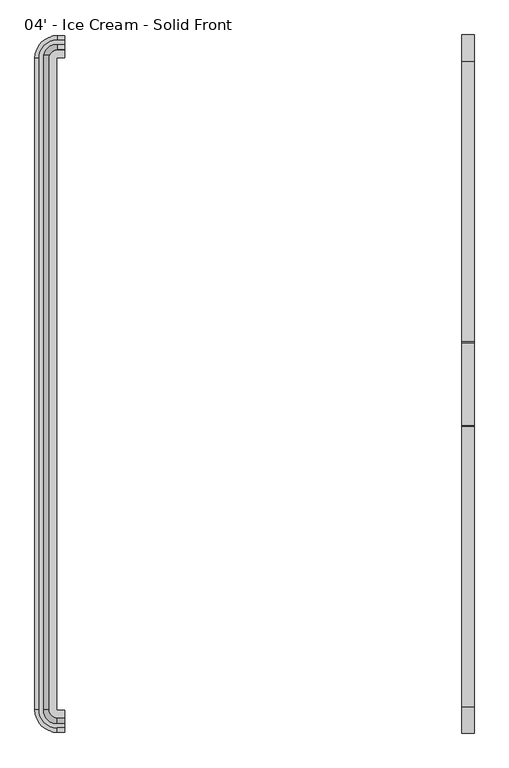
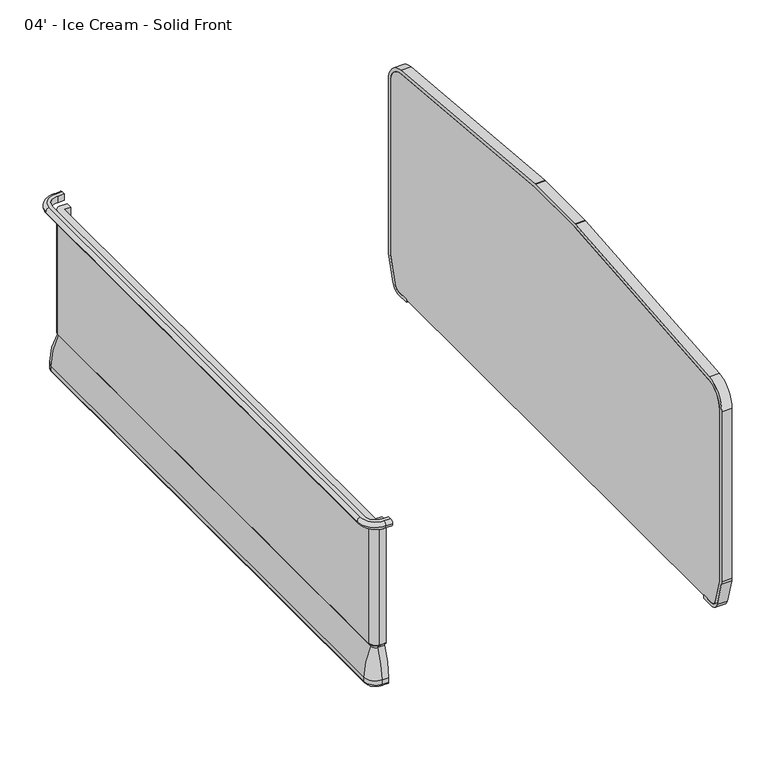
"""IFC4 building model written with IfcOpenShell, lengths in millimetres: proxy geometry, 04' - Ice Cream - Solid Front."""

from ifc_helpers import new_model, si_unit, point, frame, frame_2d, origin, place, context, project, spatial, polyline, circle_curve, ellipse_curve, trimmed, segment, composite_curve, outline, extrude, source, transform, mapped, element, save
from ifc_brep_helpers import plane_surface, cylinder_surface, revolved_surface, advanced_brep


def proxy_04_ice_cream_solid_front_f39f4013(model_context):
    return source(origin(), model_context, "Body", "SolidModel", [
        extrude(outline(composite_curve([segment(trimmed(circle_curve(frame_2d((-448.7907325, 105.4346764)), 25.4), [point((-448.7907325, 80.0346764))], [point((-424.3934681, 98.3683131))], True, "CARTESIAN"), True, "CONTINUOUS"), segment(polyline([(-424.3934681, 98.3683131), (-396.5553629, 194.4819131)]), True, "CONTINUOUS"), segment(trimmed(circle_curve(frame_2d((-420.9526273, 201.5482764)), 25.4), [point((-396.5553629, 194.4819131))], [point((-395.5526273, 201.5482764))], True, "CARTESIAN"), True, "CONTINUOUS"), segment(polyline([(-395.5526273, 201.5482764), (-395.5526273, 867.4346764)]), True, "CONTINUOUS"), segment(trimmed(circle_curve(frame_2d((-471.7526273, 867.4346764)), 76.2), [point((-395.5526273, 867.4346764))], [point((-465.008014, 943.3355999))], True, "CARTESIAN"), True, "CONTINUOUS"), segment(polyline([(-465.008014, 943.3355999), (-1324.7732229, 1019.7349842)]), True, "CONTINUOUS"), segment(trimmed(circle_curve(frame_2d((-1327.0214273, 994.4346764)), 25.4), [point((-1324.7732229, 1019.7349842))], [point((-1327.0214273, 1019.8346764))], True, "CARTESIAN"), True, "CONTINUOUS"), segment(polyline([(-1327.0214273, 1019.8346764), (-1581.0214273, 1019.8346764)]), True, "CONTINUOUS"), segment(trimmed(circle_curve(frame_2d((-1581.0214273, 994.4346764)), 25.4), [point((-1581.0214273, 1019.8346764))], [point((-1583.2696317, 1019.7349842))], True, "CARTESIAN"), True, "CONTINUOUS"), segment(polyline([(-1583.2696317, 1019.7349842), (-2443.0348406, 943.3355999)]), True, "CONTINUOUS"), segment(trimmed(circle_curve(frame_2d((-2436.2902273, 867.4346764)), 76.2), [point((-2443.0348406, 943.3355999))], [point((-2512.4902273, 867.4346764))], True, "CARTESIAN"), True, "CONTINUOUS"), segment(polyline([(-2512.4902273, 867.4346764), (-2512.4902273, 201.5482764)]), True, "CONTINUOUS"), segment(trimmed(circle_curve(frame_2d((-2487.0902273, 201.5482764)), 25.4), [point((-2512.4902273, 201.5482764))], [point((-2511.4874917, 194.4819131))], True, "CARTESIAN"), True, "CONTINUOUS"), segment(polyline([(-2511.4874917, 194.4819131), (-2483.6493865, 98.3683131)]), True, "CONTINUOUS"), segment(trimmed(circle_curve(frame_2d((-2459.2521221, 105.4346764)), 25.4), [point((-2483.6493865, 98.3683131))], [point((-2459.2521221, 80.0346764))], True, "CARTESIAN"), True, "CONTINUOUS"), segment(polyline([(-2459.2521221, 80.0346764), (-2409.6329734, 80.0346764), (-2409.6329734, 67.3346764), (-2459.2521221, 67.3346764)]), True, "CONTINUOUS"), segment(trimmed(circle_curve(frame_2d((-2459.2521221, 105.4346764)), 38.1), [point((-2459.2521221, 67.3346764))], [point((-2495.8480186, 94.8351315))], False, "CARTESIAN"), True, "CONTINUOUS"), segment(polyline([(-2495.8480186, 94.8351315), (-2523.6861239, 190.9487315)]), True, "CONTINUOUS"), segment(trimmed(circle_curve(frame_2d((-2487.0902273, 201.5482764)), 38.1), [point((-2523.6861239, 190.9487315))], [point((-2525.1902273, 201.5482764))], False, "CARTESIAN"), True, "CONTINUOUS"), segment(polyline([(-2525.1902273, 201.5482764), (-2525.1902273, 867.4346764)]), True, "CONTINUOUS"), segment(trimmed(circle_curve(frame_2d((-2436.2902273, 867.4346764)), 88.9), [point((-2525.1902273, 867.4346764))], [point((-2444.1589428, 955.9857538))], False, "CARTESIAN"), True, "CONTINUOUS"), segment(polyline([(-2444.1589428, 955.9857538), (-1584.3937339, 1032.3851381)]), True, "CONTINUOUS"), segment(trimmed(circle_curve(frame_2d((-1581.0214273, 994.4346764)), 38.1), [point((-1584.3937339, 1032.3851381))], [point((-1581.0214273, 1032.5346764))], False, "CARTESIAN"), True, "CONTINUOUS"), segment(polyline([(-1581.0214273, 1032.5346764), (-1327.0214273, 1032.5346764)]), True, "CONTINUOUS"), segment(trimmed(circle_curve(frame_2d((-1327.0214273, 994.4346764)), 38.1), [point((-1327.0214273, 1032.5346764))], [point((-1323.6491207, 1032.3851381))], False, "CARTESIAN"), True, "CONTINUOUS"), segment(polyline([(-1323.6491207, 1032.3851381), (-463.8839118, 955.9857538)]), True, "CONTINUOUS"), segment(trimmed(circle_curve(frame_2d((-471.7526273, 867.4346764)), 88.9), [point((-463.8839118, 955.9857538))], [point((-382.8526273, 867.4346764))], False, "CARTESIAN"), True, "CONTINUOUS"), segment(polyline([(-382.8526273, 867.4346764), (-382.8526273, 201.5482764)]), True, "CONTINUOUS"), segment(trimmed(circle_curve(frame_2d((-420.9526273, 201.5482764)), 38.1), [point((-382.8526273, 201.5482764))], [point((-384.3567307, 190.9487315))], False, "CARTESIAN"), True, "CONTINUOUS"), segment(polyline([(-384.3567307, 190.9487315), (-412.1948359, 94.8351315)]), True, "CONTINUOUS"), segment(trimmed(circle_curve(frame_2d((-448.7907325, 105.4346764)), 38.1), [point((-412.1948359, 94.8351315))], [point((-448.7907325, 67.3346764))], False, "CARTESIAN"), True, "CONTINUOUS"), segment(polyline([(-448.7907325, 67.3346764), (-498.4098812, 67.3346764), (-498.4098812, 80.0346764), (-448.7907325, 80.0346764)]), True, "CONTINUOUS")], self_intersect=False)), frame((1219.2, 0.0, 0.0), z_axis=(1.0, 0.0, 0.0), x_axis=(0.0, 1.0, 0.0)), (0.0, 0.0, 1.0), 38.1),
        extrude(outline(composite_curve([segment(polyline([(-448.7907325, 80.0346764), (-2459.2521221, 80.0346764)]), True, "CONTINUOUS"), segment(trimmed(circle_curve(frame_2d((-2459.2521221, 105.4346764)), 25.4), [point((-2459.2521221, 80.0346764))], [point((-2483.6493865, 98.3683131))], False, "CARTESIAN"), True, "CONTINUOUS"), segment(polyline([(-2483.6493865, 98.3683131), (-2511.4874917, 194.4819131)]), True, "CONTINUOUS"), segment(trimmed(circle_curve(frame_2d((-2487.0902273, 201.5482764)), 25.4), [point((-2511.4874917, 194.4819131))], [point((-2512.4902273, 201.5482764))], False, "CARTESIAN"), True, "CONTINUOUS"), segment(polyline([(-2512.4902273, 201.5482764), (-2512.4902273, 867.4346764)]), True, "CONTINUOUS"), segment(trimmed(circle_curve(frame_2d((-2436.2902273, 867.4346764)), 76.2), [point((-2512.4902273, 867.4346764))], [point((-2443.0348406, 943.3355999))], False, "CARTESIAN"), True, "CONTINUOUS"), segment(polyline([(-2443.0348406, 943.3355999), (-1583.2696317, 1019.7349842)]), True, "CONTINUOUS"), segment(trimmed(circle_curve(frame_2d((-1581.0214273, 994.4346764)), 25.4), [point((-1583.2696317, 1019.7349842))], [point((-1581.0214273, 1019.8346764))], False, "CARTESIAN"), True, "CONTINUOUS"), segment(polyline([(-1581.0214273, 1019.8346764), (-1327.0214273, 1019.8346764)]), True, "CONTINUOUS"), segment(trimmed(circle_curve(frame_2d((-1327.0214273, 994.4346764)), 25.4), [point((-1327.0214273, 1019.8346764))], [point((-1324.7732229, 1019.7349842))], False, "CARTESIAN"), True, "CONTINUOUS"), segment(polyline([(-1324.7732229, 1019.7349842), (-465.008014, 943.3355999)]), True, "CONTINUOUS"), segment(trimmed(circle_curve(frame_2d((-471.7526273, 867.4346764)), 76.2), [point((-465.008014, 943.3355999))], [point((-395.5526273, 867.4346764))], False, "CARTESIAN"), True, "CONTINUOUS"), segment(polyline([(-395.5526273, 867.4346764), (-395.5526273, 201.5482764)]), True, "CONTINUOUS"), segment(trimmed(circle_curve(frame_2d((-420.9526273, 201.5482764)), 25.4), [point((-395.5526273, 201.5482764))], [point((-396.5553629, 194.4819131))], False, "CARTESIAN"), True, "CONTINUOUS"), segment(polyline([(-396.5553629, 194.4819131), (-424.3934681, 98.3683131)]), True, "CONTINUOUS"), segment(trimmed(circle_curve(frame_2d((-448.7907325, 105.4346764)), 25.4), [point((-424.3934681, 98.3683131))], [point((-448.7907325, 80.0346764))], False, "CARTESIAN"), True, "CONTINUOUS")], self_intersect=False)), frame((1219.2, 0.0, 0.0), z_axis=(1.0, 0.0, 0.0), x_axis=(0.0, 1.0, 0.0)), (0.0, 0.0, 1.0), 38.1),
        advanced_brep(
        [(0.0, -2509.5631602, 866.4774073), (0.0, -2522.2631602, 853.7774073), (0.0, -2509.5631602, 841.0774073), (0.0, -2497.1486734, 841.0774073), (0.0, -2497.1486734, 866.4774073), (-23.8125, -2509.5631602, 866.4774073), (-23.8125, -2522.2631602, 853.7774073), (-23.8125, -2509.5631602, 841.0774073), (-79.2292329, -2454.1464273, 841.0774073), (-79.2292329, -453.8964273, 841.0774073), (-23.8125, -398.4796944, 841.0774073), (0.0, -398.4796944, 841.0774073), (0.0, -410.8941812, 841.0774073), (-23.8125, -410.8941812, 841.0774073), (-66.8147461, -453.8964273, 841.0774073), (-66.8147461, -2454.1464273, 841.0774073), (-23.8125, -2497.1486734, 841.0774073), (-23.8125, -2497.1486734, 866.4774073), (-66.8147461, -2454.1464273, 866.4774073), (-66.8147461, -453.8964273, 866.4774073), (-23.8125, -410.8941812, 866.4774073), (0.0, -410.8941812, 866.4774073), (0.0, -398.4796944, 866.4774073), (-23.8125, -398.4796944, 866.4774073), (-79.2292329, -453.8964273, 866.4774073), (-79.2292329, -2454.1464273, 866.4774073), (-91.9292329, -2454.1464273, 853.7774073), (-91.9292329, -453.8964273, 853.7774073), (-23.8125, -385.7796944, 853.7774073), (0.0, -385.7796944, 853.7774073)],
        [
            (0, 1, circle_curve(frame((0.0, -2509.5631602, 853.7774073), z_axis=(1.0, 0.0, 0.0), x_axis=(0.0, -1.0, 0.0)), 12.7)),
            (1, 2, circle_curve(frame((0.0, -2509.5631602, 853.7774073), z_axis=(1.0, 0.0, 0.0), x_axis=(0.0, -1.0, 0.0)), 12.7)),
            (2, 3),
            (3, 4),
            (4, 0),
            (0, 5),
            (5, 6, circle_curve(frame((-23.8125, -2509.5631602, 853.7774073), z_axis=(1.0, 0.0, 0.0), x_axis=(0.0, -1.0, 0.0)), 12.7)),
            (6, 1),
            (6, 7, circle_curve(frame((-23.8125, -2509.5631602, 853.7774073), z_axis=(1.0, 0.0, 0.0), x_axis=(0.0, -1.0, 0.0)), 12.7)),
            (7, 2),
            (7, 8, circle_curve(frame((-23.8125, -2454.1464273, 841.0774073), z_axis=(0.0, 0.0, -1.0), x_axis=(0.0, -1.0, 0.0)), 55.4167329)),
            (8, 9),
            (9, 10, circle_curve(frame((-23.8125, -453.8964273, 841.0774073), z_axis=(0.0, 0.0, -1.0), x_axis=(-1.0, 0.0, 0.0)), 55.4167329)),
            (10, 11),
            (11, 12),
            (12, 13),
            (13, 14, circle_curve(frame((-23.8125, -453.8964273, 841.0774073), z_axis=(0.0, 0.0, 1.0), x_axis=(-1.0, 0.0, 0.0)), 43.0022461)),
            (14, 15),
            (15, 16, circle_curve(frame((-23.8125, -2454.1464273, 841.0774073), z_axis=(0.0, 0.0, 1.0), x_axis=(0.0, -1.0, 0.0)), 43.0022461)),
            (16, 3),
            (16, 17),
            (17, 4),
            (17, 18, circle_curve(frame((-23.8125, -2454.1464273, 866.4774073), z_axis=(0.0, 0.0, -1.0), x_axis=(0.0, -1.0, 0.0)), 43.0022461)),
            (18, 19),
            (19, 20, circle_curve(frame((-23.8125, -453.8964273, 866.4774073), z_axis=(0.0, 0.0, -1.0), x_axis=(-1.0, 0.0, 0.0)), 43.0022461)),
            (20, 21),
            (21, 22),
            (22, 23),
            (23, 24, circle_curve(frame((-23.8125, -453.8964273, 866.4774073), z_axis=(0.0, 0.0, 1.0), x_axis=(-1.0, 0.0, 0.0)), 55.4167329)),
            (24, 25),
            (25, 5, circle_curve(frame((-23.8125, -2454.1464273, 866.4774073), z_axis=(0.0, 0.0, 1.0), x_axis=(0.0, -1.0, 0.0)), 55.4167329)),
            (26, 6, circle_curve(frame((-23.8125, -2454.1464273, 853.7774073), z_axis=(0.0, 0.0, 1.0), x_axis=(0.0, -1.0, 0.0)), 68.1167329)),
            (25, 26, circle_curve(frame((-79.2292329, -2454.1464273, 853.7774073), z_axis=(0.0, -1.0, 0.0), x_axis=(-1.0, 0.0, 0.0)), 12.7)),
            (26, 8, circle_curve(frame((-79.2292329, -2454.1464273, 853.7774073), z_axis=(0.0, -1.0, 0.0), x_axis=(-1.0, 0.0, 0.0)), 12.7)),
            (15, 18),
            (24, 27, circle_curve(frame((-79.2292329, -453.8964273, 853.7774073), z_axis=(0.0, -1.0, 0.0), x_axis=(-1.0, 0.0, 0.0)), 12.7)),
            (27, 26),
            (27, 9, circle_curve(frame((-79.2292329, -453.8964273, 853.7774073), z_axis=(0.0, -1.0, 0.0), x_axis=(-1.0, 0.0, 0.0)), 12.7)),
            (14, 19),
            (28, 27, circle_curve(frame((-23.8125, -453.8964273, 853.7774073), z_axis=(0.0, 0.0, 1.0), x_axis=(-1.0, 0.0, 0.0)), 68.1167329)),
            (23, 28, circle_curve(frame((-23.8125, -398.4796944, 853.7774073), z_axis=(-1.0, 0.0, 0.0), x_axis=(0.0, 1.0, 0.0)), 12.7)),
            (28, 10, circle_curve(frame((-23.8125, -398.4796944, 853.7774073), z_axis=(-1.0, 0.0, 0.0), x_axis=(0.0, 1.0, 0.0)), 12.7)),
            (13, 20),
            (21, 12),
            (11, 29, circle_curve(frame((0.0, -398.4796944, 853.7774073), z_axis=(1.0, 0.0, 0.0), x_axis=(0.0, 1.0, 0.0)), 12.7)),
            (29, 22, circle_curve(frame((0.0, -398.4796944, 853.7774073), z_axis=(1.0, 0.0, 0.0), x_axis=(0.0, 1.0, 0.0)), 12.7)),
            (29, 28),
        ],
        [
            plane_surface(frame((0.0, -2506.5339273, -50.8), z_axis=(1.0, 0.0, 0.0), x_axis=(0.0, 0.0, 1.0))),
            cylinder_surface(frame((0.0, -2509.5631602, 853.7774073), z_axis=(1.0, 0.0, 0.0), x_axis=(0.0, -1.0, 0.0)), 12.7),
            plane_surface(frame((0.0, -2509.5631602, 841.0774073), z_axis=(0.0, 0.0, -1.0), x_axis=(-1.0, 0.0, 0.0))),
            plane_surface(frame((0.0, -2497.1486734, 841.0774073), z_axis=(0.0, 1.0, 0.0), x_axis=(-1.0, 0.0, 0.0))),
            plane_surface(frame((0.0, -2497.1486734, 866.4774073), z_axis=(0.0, 0.0, 1.0), x_axis=(-1.0, 0.0, 0.0))),
            revolved_surface(trimmed(ellipse_curve(frame((-23.8125, -2509.5631602, 853.7774073), z_axis=(1.0, 0.0, 0.0), x_axis=(0.0, -1.0, 0.0)), 12.7, 12.7), [point((-23.8125, -2509.5631602, 866.4774073))], [point((-23.8125, -2522.2631602, 853.7774073))], True, "CARTESIAN"), (-23.8125, -2454.1464273, -50.8), (0.0, 0.0, -1.0)),
            revolved_surface(trimmed(ellipse_curve(frame((-23.8125, -2509.5631602, 853.7774073), z_axis=(1.0, 0.0, 0.0), x_axis=(0.0, -1.0, 0.0)), 12.7, 12.7), [point((-23.8125, -2522.2631602, 853.7774073))], [point((-23.8125, -2509.5631602, 841.0774073))], True, "CARTESIAN"), (-23.8125, -2454.1464273, -50.8), (0.0, 0.0, -1.0)),
            revolved_surface(polyline([(-23.8125, -2497.1486734, 841.0774073), (-23.8125, -2497.1486734, 866.4774073)]), (-23.8125, -2454.1464273, -50.8), (0.0, 0.0, -1.0)),
            cylinder_surface(frame((-79.2292329, -2454.1464273, 853.7774073), z_axis=(0.0, -1.0, 0.0), x_axis=(-1.0, 0.0, 0.0)), 12.7),
            plane_surface(frame((-66.8147461, -2454.1464273, 841.0774073), z_axis=(1.0, 0.0, 0.0), x_axis=(0.0, 1.0, 0.0))),
            revolved_surface(trimmed(ellipse_curve(frame((-79.2292329, -453.8964273, 853.7774073), z_axis=(0.0, -1.0, 0.0), x_axis=(-1.0, 0.0, 0.0)), 12.7, 12.7), [point((-79.2292329, -453.8964273, 866.4774073))], [point((-91.9292329, -453.8964273, 853.7774073))], True, "CARTESIAN"), (-23.8125, -453.8964273, -50.8), (0.0, 0.0, -1.0)),
            revolved_surface(trimmed(ellipse_curve(frame((-79.2292329, -453.8964273, 853.7774073), z_axis=(0.0, -1.0, 0.0), x_axis=(-1.0, 0.0, 0.0)), 12.7, 12.7), [point((-91.9292329, -453.8964273, 853.7774073))], [point((-79.2292329, -453.8964273, 841.0774073))], True, "CARTESIAN"), (-23.8125, -453.8964273, -50.8), (0.0, 0.0, -1.0)),
            revolved_surface(polyline([(-66.81474610000001, -453.8964273, 841.0774073), (-66.81474610000001, -453.8964273, 866.4774073)]), (-23.8125, -453.8964273, -50.8), (0.0, 0.0, -1.0)),
            plane_surface(frame((0.0, -401.5089273, -50.8), z_axis=(1.0, 0.0, 0.0), x_axis=(0.0, 0.0, 1.0))),
            cylinder_surface(frame((-23.8125, -398.4796944, 853.7774073), z_axis=(-1.0, 0.0, 0.0), x_axis=(0.0, 1.0, 0.0)), 12.7),
            plane_surface(frame((-23.8125, -410.8941812, 841.0774073), z_axis=(0.0, -1.0, 0.0), x_axis=(1.0, 0.0, 0.0))),
        ],
        [
            (0, [[1, 2, 3, 4, 5]]),
            (1, [[-1, 6, 7, 8]]),
            (1, [[-2, -8, 9, 10]]),
            (2, [[-3, -10, 11, 12, 13, 14, 15, 16, 17, 18, 19, 20]]),
            (3, [[-4, -20, 21, 22]]),
            (4, [[-5, -22, 23, 24, 25, 26, 27, 28, 29, 30, 31, -6]]),
            (5, [[32, -7, -31, 33]]),
            (6, [[-11, -9, -32, 34]]),
            (7, [[-23, -21, -19, 35]]),
            (8, [[-33, -30, 36, 37]]),
            (8, [[-34, -37, 38, -12]]),
            (9, [[-35, -18, 39, -24]]),
            (10, [[40, -36, -29, 41]]),
            (11, [[-13, -38, -40, 42]]),
            (12, [[-25, -39, -17, 43]]),
            (13, [[-27, 44, -15, 45, 46]]),
            (14, [[-41, -28, -46, 47]]),
            (14, [[-42, -47, -45, -14]]),
            (15, [[-43, -16, -44, -26]]),
        ],
    ),
        advanced_brep(
        [(0.0, -2454.774197, 212.6925638), (0.0, -2454.774197, 358.1075638), (0.0, -2459.036449, 358.1075638), (0.0, -2459.036449, 353.8876761), (0.0, -2470.5758305, 346.6306987), (0.0, -2497.4082007, 235.3283913), (0.0, -2497.4082007, 218.3404259), (0.0, -2489.2203386, 210.1525638), (0.0, -2484.436449, 210.1525638), (0.0, -2484.436449, 212.6925638), (0.0, -444.5374076, 212.6925638), (0.0, -414.8751556, 212.6925638), (0.0, -414.8751556, 210.1525638), (0.0, -410.091266, 210.1525638), (0.0, -401.9034039, 218.3404259), (0.0, -401.9034039, 235.3283913), (0.0, -428.7357741, 346.6306987), (0.0, -440.2751556, 353.8876761), (0.0, -440.2751556, 358.1075638), (0.0, -444.5374076, 358.1075638), (-23.8125, -2454.774197, 212.6925638), (-23.8125, -2454.774197, 358.1075638), (-24.4402697, -2454.1464273, 358.1075638), (-24.4402697, -445.1651773, 358.1075638), (-23.8125, -444.5374076, 358.1075638), (-23.8125, -440.2751556, 358.1075638), (-28.7025217, -445.1651773, 358.1075638), (-28.7025217, -2454.1464273, 358.1075638), (-23.8125, -2459.036449, 358.1075638), (-23.8125, -2459.036449, 353.8876761), (-23.8125, -2470.5758305, 346.6306987), (-23.8125, -2497.4082007, 235.3283913), (-23.8125, -2497.4082007, 218.3404259), (-23.8125, -2489.2203386, 210.1525638), (-58.8864113, -2454.1464273, 210.1525638), (-58.8864113, -445.1651773, 210.1525638), (-23.8125, -410.091266, 210.1525638), (-23.8125, -414.8751556, 210.1525638), (-54.1025217, -445.1651773, 210.1525638), (-54.1025217, -2454.1464273, 210.1525638), (-23.8125, -2484.436449, 210.1525638), (-23.8125, -2484.436449, 212.6925638), (-54.1025217, -2454.1464273, 212.6925638), (-54.1025217, -445.1651773, 212.6925638), (-23.8125, -414.8751556, 212.6925638), (-23.8125, -444.5374076, 212.6925638), (-24.4402697, -445.1651773, 212.6925638), (-24.4402697, -2454.1464273, 212.6925638), (-28.7025217, -2454.1464273, 353.8876761), (-40.2419032, -2454.1464273, 346.6306987), (-67.0742734, -2454.1464273, 235.3283913), (-67.0742734, -2454.1464273, 218.3404259), (-28.7025217, -445.1651773, 353.8876761), (-40.2419032, -445.1651773, 346.6306987), (-67.0742734, -445.1651773, 235.3283913), (-67.0742734, -445.1651773, 218.3404259), (-23.8125, -440.2751556, 353.8876761), (-23.8125, -428.7357741, 346.6306987), (-23.8125, -401.9034039, 235.3283913), (-23.8125, -401.9034039, 218.3404259)],
        [
            (0, 1),
            (1, 2),
            (2, 3),
            (3, 4, circle_curve(frame((0.0, -2459.1012802, 341.1878416), z_axis=(1.0, 0.0, 0.0), x_axis=(0.0, -1.0, 0.0)), 12.7)),
            (4, 5, circle_curve(frame((0.0, -2218.1357225, 226.8878416), z_axis=(1.0, 0.0, 0.0), x_axis=(0.0, -1.0, 0.0)), 279.4)),
            (5, 6),
            (6, 7, circle_curve(frame((0.0, -2489.2203386, 218.3404259), z_axis=(1.0, 0.0, 0.0), x_axis=(0.0, -1.0, 0.0)), 8.1878621)),
            (7, 8),
            (8, 9),
            (9, 0),
            (10, 11),
            (11, 12),
            (12, 13),
            (13, 14, circle_curve(frame((0.0, -410.091266, 218.3404259), z_axis=(1.0, 0.0, 0.0), x_axis=(0.0, 1.0, 0.0)), 8.1878621)),
            (14, 15),
            (15, 16, circle_curve(frame((0.0, -681.1758821, 226.8878416), z_axis=(1.0, 0.0, 0.0), x_axis=(0.0, 1.0, 0.0)), 279.4)),
            (16, 17, circle_curve(frame((0.0, -440.2103244, 341.1878416), z_axis=(1.0, 0.0, 0.0), x_axis=(0.0, 1.0, 0.0)), 12.7)),
            (17, 18),
            (18, 19),
            (19, 10),
            (0, 20),
            (20, 21),
            (21, 1),
            (21, 22, circle_curve(frame((-23.8125, -2454.1464273, 358.1075638), z_axis=(0.0, 0.0, -1.0), x_axis=(0.0, -1.0, 0.0)), 0.6277697)),
            (22, 23),
            (23, 24, circle_curve(frame((-23.8125, -445.1651773, 358.1075638), z_axis=(0.0, 0.0, -1.0), x_axis=(-1.0, 0.0, 0.0)), 0.6277697)),
            (24, 19),
            (18, 25),
            (25, 26, circle_curve(frame((-23.8125, -445.1651773, 358.1075638), z_axis=(0.0, 0.0, 1.0), x_axis=(-1.0, 0.0, 0.0)), 4.8900217)),
            (26, 27),
            (27, 28, circle_curve(frame((-23.8125, -2454.1464273, 358.1075638), z_axis=(0.0, 0.0, 1.0), x_axis=(0.0, -1.0, 0.0)), 4.8900217)),
            (28, 2),
            (28, 29),
            (29, 3),
            (29, 30, circle_curve(frame((-23.8125, -2459.1012802, 341.1878416), z_axis=(1.0, 0.0, 0.0), x_axis=(0.0, -1.0, 0.0)), 12.7)),
            (30, 4),
            (30, 31, circle_curve(frame((-23.8125, -2218.1357225, 226.8878416), z_axis=(1.0, 0.0, 0.0), x_axis=(0.0, -1.0, 0.0)), 279.4)),
            (31, 5),
            (31, 32),
            (32, 6),
            (7, 33),
            (33, 34, circle_curve(frame((-23.8125, -2454.1464273, 210.1525638), z_axis=(0.0, 0.0, -1.0), x_axis=(0.0, -1.0, 0.0)), 35.0739113)),
            (34, 35),
            (35, 36, circle_curve(frame((-23.8125, -445.1651773, 210.1525638), z_axis=(0.0, 0.0, -1.0), x_axis=(-1.0, 0.0, 0.0)), 35.0739113)),
            (36, 13),
            (12, 37),
            (37, 38, circle_curve(frame((-23.8125, -445.1651773, 210.1525638), z_axis=(0.0, 0.0, 1.0), x_axis=(-1.0, 0.0, 0.0)), 30.2900217)),
            (38, 39),
            (39, 40, circle_curve(frame((-23.8125, -2454.1464273, 210.1525638), z_axis=(0.0, 0.0, 1.0), x_axis=(0.0, -1.0, 0.0)), 30.2900217)),
            (40, 8),
            (40, 41),
            (41, 9),
            (41, 42, circle_curve(frame((-23.8125, -2454.1464273, 212.6925638), z_axis=(0.0, 0.0, -1.0), x_axis=(0.0, -1.0, 0.0)), 30.2900217)),
            (42, 43),
            (43, 44, circle_curve(frame((-23.8125, -445.1651773, 212.6925638), z_axis=(0.0, 0.0, -1.0), x_axis=(-1.0, 0.0, 0.0)), 30.2900217)),
            (44, 11),
            (10, 45),
            (45, 46, circle_curve(frame((-23.8125, -445.1651773, 212.6925638), z_axis=(0.0, 0.0, 1.0), x_axis=(-1.0, 0.0, 0.0)), 0.6277697)),
            (46, 47),
            (47, 20, circle_curve(frame((-23.8125, -2454.1464273, 212.6925638), z_axis=(0.0, 0.0, 1.0), x_axis=(0.0, -1.0, 0.0)), 0.6277697)),
            (47, 22),
            (48, 29, circle_curve(frame((-23.8125, -2454.1464273, 353.8876761), z_axis=(0.0, 0.0, 1.0), x_axis=(0.0, -1.0, 0.0)), 4.8900217)),
            (27, 48),
            (49, 30, circle_curve(frame((-23.8125, -2454.1464273, 346.6306987), z_axis=(0.0, 0.0, 1.0), x_axis=(0.0, -1.0, 0.0)), 16.4294032)),
            (48, 49, circle_curve(frame((-28.7673529, -2454.1464273, 341.1878416), z_axis=(0.0, -1.0, 0.0), x_axis=(-1.0, 0.0, 0.0)), 12.7)),
            (50, 31, circle_curve(frame((-23.8125, -2454.1464273, 235.3283913), z_axis=(0.0, 0.0, 1.0), x_axis=(0.0, -1.0, 0.0)), 43.2617734)),
            (49, 50, circle_curve(frame((212.1982048, -2454.1464273, 226.8878416), z_axis=(0.0, -1.0, 0.0), x_axis=(-1.0, 0.0, 0.0)), 279.4)),
            (51, 32, circle_curve(frame((-23.8125, -2454.1464273, 218.3404259), z_axis=(0.0, 0.0, 1.0), x_axis=(0.0, -1.0, 0.0)), 43.2617734)),
            (50, 51),
            (39, 42),
            (46, 23),
            (26, 52),
            (52, 48),
            (52, 53, circle_curve(frame((-28.7673529, -445.1651773, 341.1878416), z_axis=(0.0, -1.0, 0.0), x_axis=(-1.0, 0.0, 0.0)), 12.7)),
            (53, 49),
            (53, 54, circle_curve(frame((212.1982048, -445.1651773, 226.8878416), z_axis=(0.0, -1.0, 0.0), x_axis=(-1.0, 0.0, 0.0)), 279.4)),
            (54, 50),
            (54, 55),
            (55, 51),
            (38, 43),
            (45, 24),
            (56, 52, circle_curve(frame((-23.8125, -445.1651773, 353.8876761), z_axis=(0.0, 0.0, 1.0), x_axis=(-1.0, 0.0, 0.0)), 4.8900217)),
            (25, 56),
            (57, 53, circle_curve(frame((-23.8125, -445.1651773, 346.6306987), z_axis=(0.0, 0.0, 1.0), x_axis=(-1.0, 0.0, 0.0)), 16.4294032)),
            (56, 57, circle_curve(frame((-23.8125, -440.2103244, 341.1878416), z_axis=(-1.0, 0.0, 0.0), x_axis=(0.0, 1.0, 0.0)), 12.7)),
            (58, 54, circle_curve(frame((-23.8125, -445.1651773, 235.3283913), z_axis=(0.0, 0.0, 1.0), x_axis=(-1.0, 0.0, 0.0)), 43.2617734)),
            (57, 58, circle_curve(frame((-23.8125, -681.1758821, 226.8878416), z_axis=(-1.0, 0.0, 0.0), x_axis=(0.0, 1.0, 0.0)), 279.4)),
            (59, 55, circle_curve(frame((-23.8125, -445.1651773, 218.3404259), z_axis=(0.0, 0.0, 1.0), x_axis=(-1.0, 0.0, 0.0)), 43.2617734)),
            (58, 59),
            (37, 44),
            (17, 56),
            (16, 57),
            (15, 58),
            (14, 59),
            (32, 33, circle_curve(frame((-23.8125, -2489.2203386, 218.3404259), z_axis=(1.0, 0.0, 0.0), x_axis=(0.0, -1.0, 0.0)), 8.1878621)),
            (51, 34, circle_curve(frame((-58.8864113, -2454.1464273, 218.3404259), z_axis=(0.0, -1.0, 0.0), x_axis=(-1.0, 0.0, 0.0)), 8.1878621)),
            (55, 35, circle_curve(frame((-58.8864113, -445.1651773, 218.3404259), z_axis=(0.0, -1.0, 0.0), x_axis=(-1.0, 0.0, 0.0)), 8.1878621)),
            (59, 36, circle_curve(frame((-23.8125, -410.091266, 218.3404259), z_axis=(-1.0, 0.0, 0.0), x_axis=(0.0, 1.0, 0.0)), 8.1878621)),
        ],
        [
            plane_surface(frame((0.0, -2506.5339273, 279.4), z_axis=(1.0, 0.0, 0.0), x_axis=(0.0, 0.0, 1.0))),
            plane_surface(frame((0.0, -392.7776773, 279.4), z_axis=(1.0, 0.0, 0.0), x_axis=(0.0, 0.0, 1.0))),
            plane_surface(frame((0.0, -2454.774197, 212.6925638), z_axis=(0.0, 1.0, 0.0), x_axis=(-1.0, 0.0, 0.0))),
            plane_surface(frame((0.0, -2454.774197, 358.1075638), z_axis=(0.0, 0.0, 1.0), x_axis=(-1.0, 0.0, 0.0))),
            plane_surface(frame((0.0, -2459.036449, 358.1075638), z_axis=(0.0, -1.0, 0.0), x_axis=(-1.0, 0.0, 0.0))),
            cylinder_surface(frame((0.0, -2459.1012802, 341.1878416), z_axis=(1.0, 0.0, 0.0), x_axis=(0.0, -1.0, 0.0)), 12.7),
            cylinder_surface(frame((0.0, -2218.1357225, 226.8878416), z_axis=(1.0, 0.0, 0.0), x_axis=(0.0, -1.0, 0.0)), 279.4),
            plane_surface(frame((0.0, -2497.4082007, 235.3283913), z_axis=(0.0, -1.0, 0.0), x_axis=(-1.0, 0.0, 0.0))),
            plane_surface(frame((0.0, -2489.2203386, 210.1525638), z_axis=(0.0, 0.0, -1.0), x_axis=(-1.0, 0.0, 0.0))),
            plane_surface(frame((0.0, -2484.436449, 210.1525638), z_axis=(0.0, 1.0, 0.0), x_axis=(-1.0, 0.0, 0.0))),
            plane_surface(frame((0.0, -2484.436449, 212.6925638), z_axis=(0.0, 0.0, -1.0), x_axis=(-1.0, 0.0, 0.0))),
            revolved_surface(polyline([(-23.8125, -2454.774197, 212.6925638), (-23.8125, -2454.774197, 358.1075638)]), (-23.8125, -2454.1464273, 279.4), (0.0, 0.0, -1.0)),
            cylinder_surface(frame((-23.8125, -2454.1464273, 279.4), z_axis=(0.0, 0.0, -1.0), x_axis=(0.0, -1.0, 0.0)), 4.8900217),
            revolved_surface(trimmed(ellipse_curve(frame((-23.8125, -2459.1012802, 341.1878416), z_axis=(1.0, 0.0, 0.0), x_axis=(0.0, -1.0, 0.0)), 12.7, 12.7), [point((-23.8125, -2459.036449, 353.8876761))], [point((-23.8125, -2470.5758305, 346.6306987))], True, "CARTESIAN"), (-23.8125, -2454.1464273, 279.4), (0.0, 0.0, -1.0)),
            revolved_surface(trimmed(ellipse_curve(frame((-23.8125, -2218.1357225, 226.8878416), z_axis=(1.0, 0.0, 0.0), x_axis=(0.0, -1.0, 0.0)), 279.4, 279.4), [point((-23.8125, -2470.5758305, 346.6306987))], [point((-23.8125, -2497.4082007, 235.3283913))], True, "CARTESIAN"), (-23.8125, -2454.1464273, 279.4), (0.0, 0.0, -1.0)),
            cylinder_surface(frame((-23.8125, -2454.1464273, 279.4), z_axis=(0.0, 0.0, -1.0), x_axis=(0.0, -1.0, 0.0)), 43.2617734),
            revolved_surface(polyline([(-23.8125, -2484.4364490000003, 210.1525638), (-23.8125, -2484.4364490000003, 212.6925638)]), (-23.8125, -2454.1464273, 279.4), (0.0, 0.0, -1.0)),
            plane_surface(frame((-24.4402697, -2454.1464273, 212.6925638), z_axis=(1.0, 0.0, 0.0), x_axis=(0.0, 1.0, 0.0))),
            plane_surface(frame((-28.7025217, -2454.1464273, 358.1075638), z_axis=(-1.0, 0.0, 0.0), x_axis=(0.0, 1.0, 0.0))),
            cylinder_surface(frame((-28.7673529, -2454.1464273, 341.1878416), z_axis=(0.0, -1.0, 0.0), x_axis=(-1.0, 0.0, 0.0)), 12.7),
            cylinder_surface(frame((212.1982048, -2454.1464273, 226.8878416), z_axis=(0.0, -1.0, 0.0), x_axis=(-1.0, 0.0, 0.0)), 279.4),
            plane_surface(frame((-67.0742734, -2454.1464273, 235.3283913), z_axis=(-1.0, 0.0, 0.0), x_axis=(0.0, 1.0, 0.0))),
            plane_surface(frame((-54.1025217, -2454.1464273, 210.1525638), z_axis=(1.0, 0.0, 0.0), x_axis=(0.0, 1.0, 0.0))),
            revolved_surface(polyline([(-24.4402697, -445.1651773, 212.6925638), (-24.4402697, -445.1651773, 358.1075638)]), (-23.8125, -445.1651773, 279.4), (0.0, 0.0, -1.0)),
            cylinder_surface(frame((-23.8125, -445.1651773, 279.4), z_axis=(0.0, 0.0, -1.0), x_axis=(-1.0, 0.0, 0.0)), 4.8900217),
            revolved_surface(trimmed(ellipse_curve(frame((-28.7673529, -445.1651773, 341.1878416), z_axis=(0.0, -1.0, 0.0), x_axis=(-1.0, 0.0, 0.0)), 12.7, 12.7), [point((-28.7025217, -445.1651773, 353.8876761))], [point((-40.2419032, -445.1651773, 346.6306987))], True, "CARTESIAN"), (-23.8125, -445.1651773, 279.4), (0.0, 0.0, -1.0)),
            revolved_surface(trimmed(ellipse_curve(frame((212.1982048, -445.1651773, 226.8878416), z_axis=(0.0, -1.0, 0.0), x_axis=(-1.0, 0.0, 0.0)), 279.4, 279.4), [point((-40.2419032, -445.1651773, 346.6306987))], [point((-67.0742734, -445.1651773, 235.3283913))], True, "CARTESIAN"), (-23.8125, -445.1651773, 279.4), (0.0, 0.0, -1.0)),
            cylinder_surface(frame((-23.8125, -445.1651773, 279.4), z_axis=(0.0, 0.0, -1.0), x_axis=(-1.0, 0.0, 0.0)), 43.2617734),
            revolved_surface(polyline([(-54.1025217, -445.1651773, 210.1525638), (-54.1025217, -445.1651773, 212.6925638)]), (-23.8125, -445.1651773, 279.4), (0.0, 0.0, -1.0)),
            plane_surface(frame((-23.8125, -444.5374076, 212.6925638), z_axis=(0.0, -1.0, 0.0), x_axis=(1.0, 0.0, 0.0))),
            plane_surface(frame((-23.8125, -440.2751556, 358.1075638), z_axis=(0.0, 1.0, 0.0), x_axis=(1.0, 0.0, 0.0))),
            cylinder_surface(frame((-23.8125, -440.2103244, 341.1878416), z_axis=(-1.0, 0.0, 0.0), x_axis=(0.0, 1.0, 0.0)), 12.7),
            cylinder_surface(frame((-23.8125, -681.1758821, 226.8878416), z_axis=(-1.0, 0.0, 0.0), x_axis=(0.0, 1.0, 0.0)), 279.4),
            plane_surface(frame((-23.8125, -401.9034039, 235.3283913), z_axis=(0.0, 1.0, 0.0), x_axis=(1.0, 0.0, 0.0))),
            plane_surface(frame((-23.8125, -414.8751556, 210.1525638), z_axis=(0.0, -1.0, 0.0), x_axis=(1.0, 0.0, 0.0))),
            cylinder_surface(frame((0.0, -2489.2203386, 218.3404259), z_axis=(1.0, 0.0, 0.0), x_axis=(0.0, -1.0, 0.0)), 8.1878621),
            revolved_surface(trimmed(ellipse_curve(frame((-23.8125, -2489.2203386, 218.3404259), z_axis=(1.0, 0.0, 0.0), x_axis=(0.0, -1.0, 0.0)), 8.1878621, 8.1878621), [point((-23.8125, -2497.4082007, 218.3404259))], [point((-23.8125, -2489.2203386, 210.1525638))], True, "CARTESIAN"), (-23.8125, -2454.1464273, 279.4), (0.0, 0.0, -1.0)),
            cylinder_surface(frame((-58.8864113, -2454.1464273, 218.3404259), z_axis=(0.0, -1.0, 0.0), x_axis=(-1.0, 0.0, 0.0)), 8.1878621),
            revolved_surface(trimmed(ellipse_curve(frame((-58.8864113, -445.1651773, 218.3404259), z_axis=(0.0, -1.0, 0.0), x_axis=(-1.0, 0.0, 0.0)), 8.1878621, 8.1878621), [point((-67.0742734, -445.1651773, 218.3404259))], [point((-58.8864113, -445.1651773, 210.1525638))], True, "CARTESIAN"), (-23.8125, -445.1651773, 279.4), (0.0, 0.0, -1.0)),
            cylinder_surface(frame((-23.8125, -410.091266, 218.3404259), z_axis=(-1.0, 0.0, 0.0), x_axis=(0.0, 1.0, 0.0)), 8.1878621),
        ],
        [
            (0, [[1, 2, 3, 4, 5, 6, 7, 8, 9, 10]]),
            (1, [[11, 12, 13, 14, 15, 16, 17, 18, 19, 20]]),
            (2, [[-1, 21, 22, 23]]),
            (3, [[-2, -23, 24, 25, 26, 27, -19, 28, 29, 30, 31, 32]]),
            (4, [[-3, -32, 33, 34]]),
            (5, [[-4, -34, 35, 36]]),
            (6, [[-5, -36, 37, 38]]),
            (7, [[-6, -38, 39, 40]]),
            (8, [[-8, 41, 42, 43, 44, 45, -13, 46, 47, 48, 49, 50]]),
            (9, [[-9, -50, 51, 52]]),
            (10, [[-10, -52, 53, 54, 55, 56, -11, 57, 58, 59, 60, -21]]),
            (11, [[-24, -22, -60, 61]]),
            (12, [[62, -33, -31, 63]]),
            (13, [[64, -35, -62, 65]]),
            (14, [[66, -37, -64, 67]]),
            (15, [[68, -39, -66, 69]]),
            (16, [[-53, -51, -49, 70]]),
            (17, [[-61, -59, 71, -25]]),
            (18, [[-63, -30, 72, 73]]),
            (19, [[-65, -73, 74, 75]]),
            (20, [[-67, -75, 76, 77]]),
            (21, [[-69, -77, 78, 79]]),
            (22, [[-70, -48, 80, -54]]),
            (23, [[-26, -71, -58, 81]]),
            (24, [[82, -72, -29, 83]]),
            (25, [[84, -74, -82, 85]]),
            (26, [[86, -76, -84, 87]]),
            (27, [[88, -78, -86, 89]]),
            (28, [[-55, -80, -47, 90]]),
            (29, [[-81, -57, -20, -27]]),
            (30, [[-83, -28, -18, 91]]),
            (31, [[-85, -91, -17, 92]]),
            (32, [[-87, -92, -16, 93]]),
            (33, [[-89, -93, -15, 94]]),
            (34, [[-90, -46, -12, -56]]),
            (35, [[-7, -40, 95, -41]]),
            (36, [[-42, -95, -68, 96]]),
            (37, [[-96, -79, 97, -43]]),
            (38, [[-44, -97, -88, 98]]),
            (39, [[-98, -94, -14, -45]]),
        ],
    ),
        advanced_brep(
        [(0.0, -2478.2764734, 840.1995638), (0.0, -2478.2764734, 359.6315638), (0.0, -2476.7524734, 358.1075638), (0.0, -2454.774197, 358.1075638), (0.0, -2454.774197, 840.1995638), (0.0, -429.7663812, 840.1995638), (0.0, -453.2686576, 840.1995638), (0.0, -453.2686576, 358.1075638), (0.0, -431.2903812, 358.1075638), (0.0, -429.7663812, 359.6315638), (-23.8125, -2454.774197, 840.1995638), (-24.4402697, -2454.1464273, 840.1995638), (-24.4402697, -453.8964273, 840.1995638), (-23.8125, -453.2686576, 840.1995638), (-23.8125, -429.7663812, 840.1995638), (-47.9425461, -453.8964273, 840.1995638), (-47.9425461, -2454.1464273, 840.1995638), (-23.8125, -2478.2764734, 840.1995638), (-23.8125, -2454.774197, 358.1075638), (-24.4402697, -2454.1464273, 358.1075638), (-24.4402697, -453.8964273, 358.1075638), (-23.8125, -453.2686576, 358.1075638), (-23.8125, -2478.2764734, 359.6315638), (-23.8125, -2476.7524734, 358.1075638), (-46.4185461, -2454.1464273, 358.1075638), (-46.4185461, -453.8964273, 358.1075638), (-23.8125, -431.2903812, 358.1075638), (-47.9425461, -2454.1464273, 359.6315638), (-47.9425461, -453.8964273, 359.6315638), (-23.8125, -429.7663812, 359.6315638)],
        [
            (0, 1),
            (1, 2, circle_curve(frame((0.0, -2476.7524734, 359.6315638), z_axis=(1.0, 0.0, 0.0), x_axis=(0.0, -1.0, 0.0)), 1.524)),
            (2, 3),
            (3, 4),
            (4, 0),
            (5, 6),
            (6, 7),
            (7, 8),
            (8, 9, circle_curve(frame((0.0, -431.2903812, 359.6315638), z_axis=(1.0, 0.0, 0.0), x_axis=(0.0, 1.0, 0.0)), 1.524)),
            (9, 5),
            (4, 10),
            (10, 11, circle_curve(frame((-23.8125, -2454.1464273, 840.1995638), z_axis=(0.0, 0.0, -1.0), x_axis=(0.0, -1.0, 0.0)), 0.6277697)),
            (11, 12),
            (12, 13, circle_curve(frame((-23.8125, -453.8964273, 840.1995638), z_axis=(0.0, 0.0, -1.0), x_axis=(-1.0, 0.0, 0.0)), 0.6277697)),
            (13, 6),
            (5, 14),
            (14, 15, circle_curve(frame((-23.8125, -453.8964273, 840.1995638), z_axis=(0.0, 0.0, 1.0), x_axis=(-1.0, 0.0, 0.0)), 24.1300461)),
            (15, 16),
            (16, 17, circle_curve(frame((-23.8125, -2454.1464273, 840.1995638), z_axis=(0.0, 0.0, 1.0), x_axis=(0.0, -1.0, 0.0)), 24.1300461)),
            (17, 0),
            (3, 18),
            (18, 10),
            (11, 19),
            (19, 20),
            (20, 12),
            (13, 21),
            (21, 7),
            (18, 19, circle_curve(frame((-23.8125, -2454.1464273, 358.1075638), z_axis=(0.0, 0.0, -1.0), x_axis=(0.0, -1.0, 0.0)), 0.6277697)),
            (17, 22),
            (22, 1),
            (22, 23, circle_curve(frame((-23.8125, -2476.7524734, 359.6315638), z_axis=(1.0, 0.0, 0.0), x_axis=(0.0, -1.0, 0.0)), 1.524)),
            (23, 2),
            (23, 24, circle_curve(frame((-23.8125, -2454.1464273, 358.1075638), z_axis=(0.0, 0.0, -1.0), x_axis=(0.0, -1.0, 0.0)), 22.6060461)),
            (24, 25),
            (25, 26, circle_curve(frame((-23.8125, -453.8964273, 358.1075638), z_axis=(0.0, 0.0, -1.0), x_axis=(-1.0, 0.0, 0.0)), 22.6060461)),
            (26, 8),
            (21, 20, circle_curve(frame((-23.8125, -453.8964273, 358.1075638), z_axis=(0.0, 0.0, 1.0), x_axis=(-1.0, 0.0, 0.0)), 0.6277697)),
            (27, 22, circle_curve(frame((-23.8125, -2454.1464273, 359.6315638), z_axis=(0.0, 0.0, 1.0), x_axis=(0.0, -1.0, 0.0)), 24.1300461)),
            (16, 27),
            (27, 24, circle_curve(frame((-46.4185461, -2454.1464273, 359.6315638), z_axis=(0.0, -1.0, 0.0), x_axis=(-1.0, 0.0, 0.0)), 1.524)),
            (15, 28),
            (28, 27),
            (28, 25, circle_curve(frame((-46.4185461, -453.8964273, 359.6315638), z_axis=(0.0, -1.0, 0.0), x_axis=(-1.0, 0.0, 0.0)), 1.524)),
            (29, 14),
            (9, 29),
            (26, 29, circle_curve(frame((-23.8125, -431.2903812, 359.6315638), z_axis=(1.0, 0.0, 0.0), x_axis=(0.0, 1.0, 0.0)), 1.524)),
            (29, 28, circle_curve(frame((-23.8125, -453.8964273, 359.6315638), z_axis=(0.0, 0.0, 1.0), x_axis=(-1.0, 0.0, 0.0)), 24.1300461)),
        ],
        [
            plane_surface(frame((0.0, -2506.5339273, 228.6), z_axis=(1.0, 0.0, 0.0), x_axis=(0.0, 0.0, 1.0))),
            plane_surface(frame((0.0, -401.5089273, 228.6), z_axis=(1.0, 0.0, 0.0), x_axis=(0.0, 0.0, 1.0))),
            plane_surface(frame((0.0, -2454.774197, 840.1995638), z_axis=(0.0, 0.0, 1.0), x_axis=(-1.0, 0.0, 0.0))),
            plane_surface(frame((0.0, -2454.774197, 358.1075638), z_axis=(0.0, 1.0, 0.0), x_axis=(-1.0, 0.0, 0.0))),
            plane_surface(frame((-24.4402697, -2454.1464273, 358.1075638), z_axis=(1.0, 0.0, 0.0), x_axis=(0.0, 1.0, 0.0))),
            plane_surface(frame((-23.8125, -453.2686576, 358.1075638), z_axis=(0.0, -1.0, 0.0), x_axis=(1.0, 0.0, 0.0))),
            revolved_surface(polyline([(-23.8125, -2454.774197, 358.1075638), (-23.8125, -2454.774197, 840.1995638)]), (-23.8125, -2454.1464273, 228.6), (0.0, 0.0, -1.0)),
            plane_surface(frame((0.0, -2478.2764734, 840.1995638), z_axis=(0.0, -1.0, 0.0), x_axis=(-1.0, 0.0, 0.0))),
            cylinder_surface(frame((0.0, -2476.7524734, 359.6315638), z_axis=(1.0, 0.0, 0.0), x_axis=(0.0, -1.0, 0.0)), 1.524),
            plane_surface(frame((0.0, -2476.7524734, 358.1075638), z_axis=(0.0, 0.0, -1.0), x_axis=(-1.0, 0.0, 0.0))),
            cylinder_surface(frame((-23.8125, -2454.1464273, 228.6), z_axis=(0.0, 0.0, -1.0), x_axis=(0.0, -1.0, 0.0)), 24.1300461),
            revolved_surface(trimmed(ellipse_curve(frame((-23.8125, -2476.7524734, 359.6315638), z_axis=(1.0, 0.0, 0.0), x_axis=(0.0, -1.0, 0.0)), 1.524, 1.524), [point((-23.8125, -2478.2764734, 359.6315638))], [point((-23.8125, -2476.7524734, 358.1075638))], True, "CARTESIAN"), (-23.8125, -2454.1464273, 228.6), (0.0, 0.0, -1.0)),
            plane_surface(frame((-47.9425461, -2454.1464273, 840.1995638), z_axis=(-1.0, 0.0, 0.0), x_axis=(0.0, 1.0, 0.0))),
            cylinder_surface(frame((-46.4185461, -2454.1464273, 359.6315638), z_axis=(0.0, -1.0, 0.0), x_axis=(-1.0, 0.0, 0.0)), 1.524),
            plane_surface(frame((-23.8125, -429.7663812, 840.1995638), z_axis=(0.0, 1.0, 0.0), x_axis=(1.0, 0.0, 0.0))),
            cylinder_surface(frame((-23.8125, -431.2903812, 359.6315638), z_axis=(-1.0, 0.0, 0.0), x_axis=(0.0, 1.0, 0.0)), 1.524),
            cylinder_surface(frame((-23.8125, -453.8964273, 228.6), z_axis=(0.0, 0.0, -1.0), x_axis=(-1.0, 0.0, 0.0)), 24.1300461),
            revolved_surface(trimmed(ellipse_curve(frame((-46.4185461, -453.8964273, 359.6315638), z_axis=(0.0, -1.0, 0.0), x_axis=(-1.0, 0.0, 0.0)), 1.524, 1.524), [point((-47.9425461, -453.8964273, 359.6315638))], [point((-46.4185461, -453.8964273, 358.1075638))], True, "CARTESIAN"), (-23.8125, -453.8964273, 228.6), (0.0, 0.0, -1.0)),
            revolved_surface(polyline([(-24.4402697, -453.8964273, 358.1075638), (-24.4402697, -453.8964273, 840.1995638)]), (-23.8125, -453.8964273, 228.6), (0.0, 0.0, -1.0)),
        ],
        [
            (0, [[1, 2, 3, 4, 5]]),
            (1, [[6, 7, 8, 9, 10]]),
            (2, [[-5, 11, 12, 13, 14, 15, -6, 16, 17, 18, 19, 20]]),
            (3, [[-4, 21, 22, -11]]),
            (4, [[23, 24, 25, -13]]),
            (5, [[26, 27, -7, -15]]),
            (6, [[-12, -22, 28, -23]]),
            (7, [[-1, -20, 29, 30]]),
            (8, [[-2, -30, 31, 32]]),
            (9, [[-3, -32, 33, 34, 35, 36, -8, -27, 37, -24, -28, -21]]),
            (10, [[38, -29, -19, 39]]),
            (11, [[-33, -31, -38, 40]]),
            (12, [[-39, -18, 41, 42]]),
            (13, [[-40, -42, 43, -34]]),
            (14, [[44, -16, -10, 45]]),
            (15, [[46, -45, -9, -36]]),
            (16, [[47, -41, -17, -44]]),
            (17, [[-35, -43, -47, -46]]),
            (18, [[-14, -25, -37, -26]]),
        ],
    ),
    ])


if __name__ == "__main__":
    model = new_model("IFC4")
    model_context = context("Model", 3, world=origin())
    ifc_project = project(units=[si_unit("LENGTHUNIT", "METRE", prefix="MILLI")], contexts=[model_context])
    site = spatial("IfcSite", under=ifc_project)
    building = spatial("IfcBuilding", under=site)
    placement = place(None, origin())
    proxy_04_ice_cream_solid_front_shape = proxy_04_ice_cream_solid_front_f39f4013(model_context)
    element("IfcBuildingElementProxy", 1, Name="04' - Ice Cream - Solid Front", ObjectType="04' - Ice Cream - Solid Front", at=placement, inside=building, context=model_context, shape_type="MappedRepresentation", body=[
        mapped(proxy_04_ice_cream_solid_front_shape, transform((0.0, 0.0, 0.0), x_axis=(1.0, 0.0, 0.0), y_axis=(0.0, 1.0, 0.0), z_axis=(0.0, 0.0, 1.0))),
    ])
    save(model, "model.ifc")
